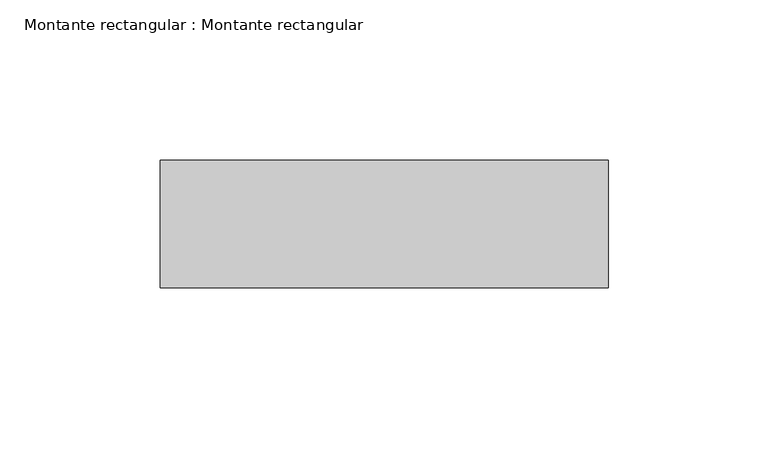
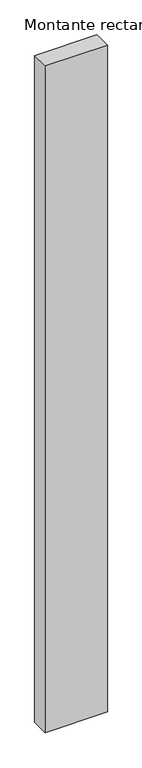
"""IFC4 building model written with IfcOpenShell, lengths in millimetres: member geometry, Montante rectangular : Montante rectangular."""

from ifc_helpers import new_model, si_unit, frame, origin, place, context, project, spatial, polyline, outline, extrude, source, transform, mapped, element, save


def montante_rectangular_montante_rectangular_ab6be481(model_context):
    return source(origin(), model_context, "Body", "SweptSolid", [
        extrude(outline(polyline([(0.0, -4.614603), (0.0, -44.614603), (-140.0, -44.614603), (-140.0, -4.614603), (0.0, -4.614603)])), frame((0.0, 0.0, -1584.7728258), z_axis=(0.0, 0.0, 1.0), x_axis=(1.0, 0.0, 0.0)), (0.0, 0.0, 1.0), 1584.7728258),
    ])


if __name__ == "__main__":
    model = new_model("IFC4")
    model_context = context("Model", 3, world=origin())
    ifc_project = project(units=[si_unit("LENGTHUNIT", "METRE", prefix="MILLI")], contexts=[model_context])
    site = spatial("IfcSite", under=ifc_project)
    building = spatial("IfcBuilding", under=site)
    placement = place(None, origin())
    montante_rectangular_montante_rectangular_shape = montante_rectangular_montante_rectangular_ab6be481(model_context)
    element("IfcMember", 1, ObjectType="Montante rectangular : Montante rectangular", at=placement, inside=building, context=model_context, shape_type="MappedRepresentation", body=[
        mapped(montante_rectangular_montante_rectangular_shape, transform((0.0, 0.0, 0.0), x_axis=(1.0, 0.0, 0.0), y_axis=(0.0, 1.0, 0.0), z_axis=(0.0, 0.0, 1.0))),
    ])
    save(model, "model.ifc")
